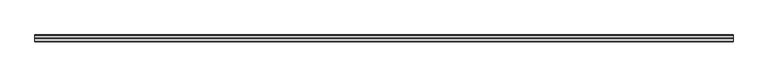
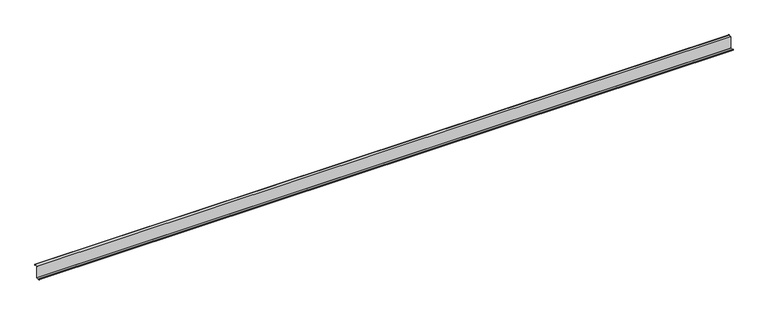
"""IFC4 building model written with IfcOpenShell, lengths in millimetres: member geometry."""

from ifc_helpers import new_model, si_unit, point, frame, frame_2d, origin, place, context, project, spatial, polyline, circle_curve, trimmed, segment, composite_curve, outline, extrude, source, transform, mapped, element, save


def member_16169a8f(model_context):
    return source(origin(), model_context, "Body", "SweptSolid", [
        extrude(outline(composite_curve([segment(trimmed(circle_curve(frame_2d((-3.5, -123.5)), 3.5), [point((0.0, -123.5))], [point((-3.5, -127.0))], False, "CARTESIAN"), True, "CONTINUOUS"), segment(polyline([(-3.5, -127.0), (-75.0, -127.0)]), True, "CONTINUOUS"), segment(trimmed(circle_curve(frame_2d((-75.0, -123.5)), 3.5), [point((-75.0, -127.0))], [point((-78.5, -123.5))], False, "CARTESIAN"), True, "CONTINUOUS"), segment(polyline([(-78.5, -123.5), (-78.5, -107.5), (-77.0, -107.5), (-77.0, -123.5)]), True, "CONTINUOUS"), segment(trimmed(circle_curve(frame_2d((-75.0, -123.5)), 2.0), [point((-77.0, -123.5))], [point((-75.0, -125.5))], True, "CARTESIAN"), True, "CONTINUOUS"), segment(polyline([(-75.0, -125.5), (-3.5, -125.5)]), True, "CONTINUOUS"), segment(trimmed(circle_curve(frame_2d((-3.5, -123.5)), 2.0), [point((-3.5, -125.5))], [point((-1.5, -123.5))], True, "CARTESIAN"), True, "CONTINUOUS"), segment(polyline([(-1.5, -123.5), (-1.5, 123.5)]), True, "CONTINUOUS"), segment(trimmed(circle_curve(frame_2d((2.0, 123.5)), 3.5), [point((-1.5, 123.5))], [point((2.0, 127.0))], False, "CARTESIAN"), True, "CONTINUOUS"), segment(polyline([(2.0, 127.0), (63.5, 127.0)]), True, "CONTINUOUS"), segment(trimmed(circle_curve(frame_2d((63.5, 123.5)), 3.5), [point((63.5, 127.0))], [point((67.0, 123.5))], False, "CARTESIAN"), True, "CONTINUOUS"), segment(polyline([(67.0, 123.5), (67.0, 107.0), (65.5, 107.0), (65.5, 123.5)]), True, "CONTINUOUS"), segment(trimmed(circle_curve(frame_2d((63.5, 123.5)), 2.0), [point((65.5, 123.5))], [point((63.5, 125.5))], True, "CARTESIAN"), True, "CONTINUOUS"), segment(polyline([(63.5, 125.5), (2.0, 125.5)]), True, "CONTINUOUS"), segment(trimmed(circle_curve(frame_2d((2.0, 123.5)), 2.0), [point((2.0, 125.5))], [point((0.0, 123.5))], True, "CARTESIAN"), True, "CONTINUOUS"), segment(polyline([(0.0, 123.5), (0.0, -123.5)]), True, "CONTINUOUS")], self_intersect=False)), frame((-7246.0, 0.0, 0.0), z_axis=(1.0, 0.0, 0.0), x_axis=(0.0, 1.0, 0.0)), (0.0, 0.0, 1.0), 14492.0),
    ])


if __name__ == "__main__":
    model = new_model("IFC4")
    model_context = context("Model", 3, world=origin())
    ifc_project = project(units=[si_unit("LENGTHUNIT", "METRE", prefix="MILLI")], contexts=[model_context])
    site = spatial("IfcSite", under=ifc_project)
    building = spatial("IfcBuilding", under=site)
    placement = place(None, origin())
    member_shape = member_16169a8f(model_context)
    element("IfcMember", 1, at=placement, inside=building, context=model_context, shape_type="MappedRepresentation", body=[
        mapped(member_shape, transform((0.0, 0.0, 0.0), x_axis=(1.0, 0.0, 0.0), y_axis=(0.0, 1.0, 0.0), z_axis=(0.0, 0.0, 1.0))),
    ])
    save(model, "model.ifc")
